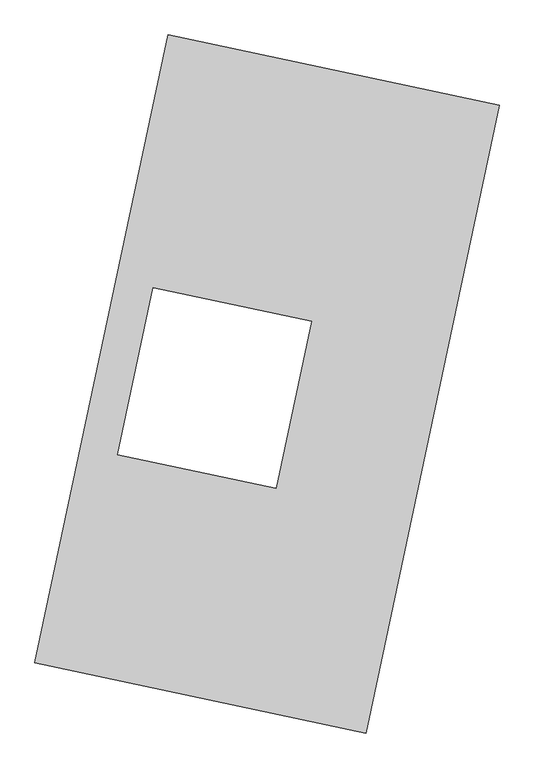
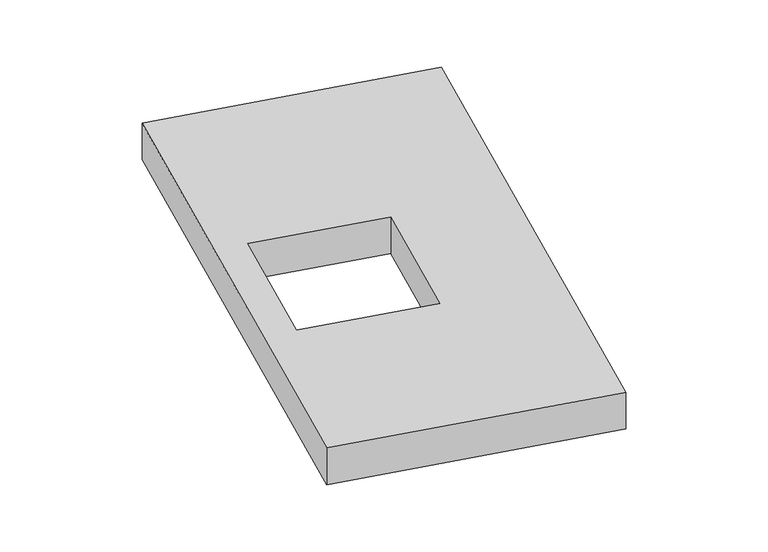
"""IFC4 building model written with IfcOpenShell, lengths in millimetres: proxy geometry."""

from ifc_helpers import new_model, si_unit, origin, origin_with_axes, place, context, project, spatial, polyline, outline, extrude, source, transform, mapped, element, save


def generic_models_d65f8596(model_context):
    return source(origin(), model_context, "Body", "SweptSolid", [
        extrude(outline(polyline([(-617.3692021, 2175.5580432), (1447.7508745, 1737.3010494), (617.3692021, -2175.5580432), (-1447.7508745, -1737.3010494), (-617.3692021, 2175.5580432)]), holes=[polyline([(278.4716203, 390.5412538), (-709.861317, 600.2839351), (-930.7862317, -440.7410418), (57.5467056, -650.483723), (278.4716203, 390.5412538)])]), origin_with_axes(), (0.0, 0.0, 1.0), 300.0),
    ])


if __name__ == "__main__":
    model = new_model("IFC4")
    model_context = context("Model", 3, world=origin())
    ifc_project = project(units=[si_unit("LENGTHUNIT", "METRE", prefix="MILLI")], contexts=[model_context])
    site = spatial("IfcSite", under=ifc_project)
    building = spatial("IfcBuilding", under=site)
    placement = place(None, origin())
    generic_models_shape = generic_models_d65f8596(model_context)
    element("IfcBuildingElementProxy", 1, Name="Generic Models", at=placement, inside=building, context=model_context, shape_type="MappedRepresentation", body=[
        mapped(generic_models_shape, transform((0.0, 0.0, 0.0), x_axis=(1.0, 0.0, 0.0), y_axis=(0.0, 1.0, 0.0), z_axis=(0.0, 0.0, 1.0))),
    ])
    save(model, "model.ifc")
